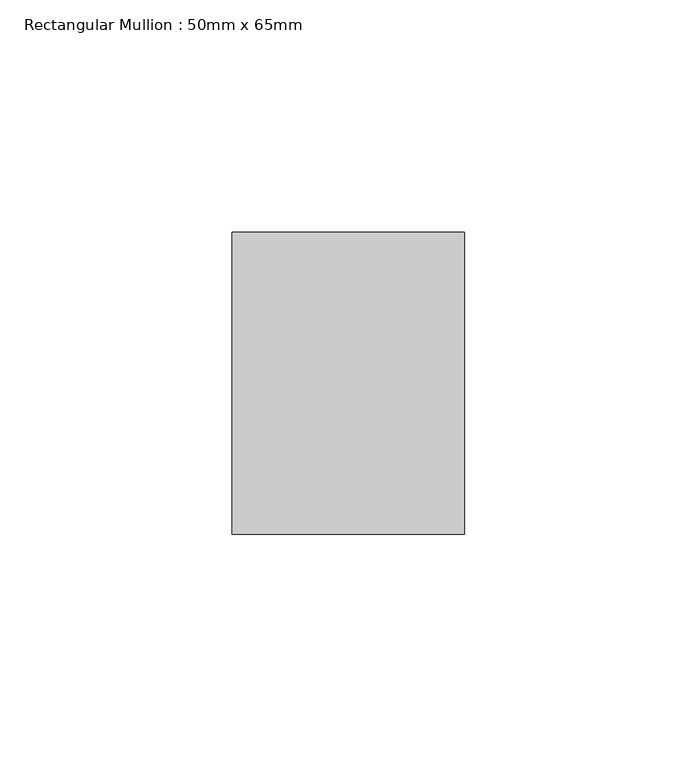
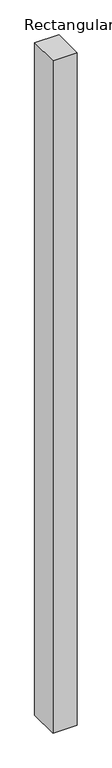
"""IFC4 building model written with IfcOpenShell, lengths in millimetres: member geometry, Rectangular Mullion : 50mm x 65mm."""

import ifcopenshell
import ifcopenshell.guid

model = None  # the IFC model being written
_history = None  # IfcOwnerHistory: only IFC2X3 demands one
_inside = {}  # id of a spatial element -> (the spatial element, [elements in it])
_under = {}  # id of a project, library or spatial element -> (it, [spatial elements below it])
_declared = {}  # id of a project -> (the project, [libraries it declares])
_typed = {}  # id of a type object -> (the type object, [elements of that type])
_made_of = {}  # id of a material, layer set ... -> (it, [elements and type objects made of it])


def new_model(schema):
    """Start an empty IFC model of exactly this schema.

    Asked for "IFC4X3", IfcOpenShell would pick the latest addendum, in which some entities
    have other attributes; the version numbers below select the first issue.
    IFC2X3 requires an IfcOwnerHistory on every rooted entity: one is made here for all.
    """
    global model, _history
    if schema == "IFC4X3":
        model = ifcopenshell.file(schema_version=(4, 3, 0, 0))
    else:
        model = ifcopenshell.file(schema=schema)
    _inside.clear()
    _under.clear()
    _declared.clear()
    _typed.clear()
    _made_of.clear()
    _history = None
    if model.schema == "IFC2X3":
        org = make("IfcOrganization", Name="unknown")
        user = make(
            "IfcPersonAndOrganization",
            ThePerson=make("IfcPerson", FamilyName="unknown"),
            TheOrganization=org,
        )
        app = make(
            "IfcApplication",
            ApplicationDeveloper=org,
            Version="unknown",
            ApplicationFullName="unknown",
            ApplicationIdentifier="unknown",
        )
        _history = make(
            "IfcOwnerHistory",
            OwningUser=user,
            OwningApplication=app,
            ChangeAction="ADDED",
            CreationDate=0,
        )
    return model


def make(cls, **values):
    """One entity of the class cls with the attributes given. An attribute that is None is left unset."""
    return model.create_entity(
        cls, **{name: value for name, value in values.items() if value is not None}
    )


def rooted(cls, **values):
    """An entity with a GlobalId (a new one), such as an element, a storey or a relation."""
    return make(cls, GlobalId=ifcopenshell.guid.new(), OwnerHistory=_history, **values)


def si_unit(unit_type, name, prefix=None):
    """IfcSIUnit, for example si_unit("LENGTHUNIT", "METRE", prefix="MILLI")."""
    return make("IfcSIUnit", UnitType=unit_type, Prefix=prefix, Name=name)


def assignment(units):
    """IfcUnitAssignment: the units of a project."""
    return None if units is None else make("IfcUnitAssignment", Units=units)


def point(xyz):
    """IfcCartesianPoint."""
    return None if xyz is None else make("IfcCartesianPoint", Coordinates=xyz)


def direction(xyz):
    """IfcDirection."""
    return None if xyz is None else make("IfcDirection", DirectionRatios=xyz)


def frame(location, z_axis=None, x_axis=None):
    """IfcAxis2Placement3D, a coordinate frame: its origin and axes. An axis left out is left unset."""
    return make(
        "IfcAxis2Placement3D",
        Location=point(location),
        Axis=direction(z_axis),
        RefDirection=direction(x_axis),
    )


def origin():
    """The frame at (0, 0, 0) with its axes left unset."""
    return frame((0.0, 0.0, 0.0))


def place(relative_to, where):
    """IfcLocalPlacement: puts the frame where relative to a parent placement (None: the world)."""
    return make(
        "IfcLocalPlacement", PlacementRelTo=relative_to, RelativePlacement=where
    )


def context(
    kind, dimensions, precision=None, world=None, true_north=None, identifier=None
):
    """IfcGeometricRepresentationContext, for example the 3D "Model" context."""
    return make(
        "IfcGeometricRepresentationContext",
        ContextIdentifier=identifier,
        ContextType=kind,
        CoordinateSpaceDimension=dimensions,
        Precision=precision,
        WorldCoordinateSystem=world,
        TrueNorth=true_north,
    )


def project(units=None, contexts=None):
    """IfcProject with its units and contexts."""
    return rooted(
        "IfcProject",
        Name="project",
        RepresentationContexts=contexts,
        UnitsInContext=assignment(units),
    )


def spatial(cls, under=None, at=None, **own):
    """A site, building, storey or space (cls), placed at a placement, below another one or the project."""
    s = rooted(cls, ObjectPlacement=at, **own)
    if under is not None:
        _under.setdefault(under.id(), (under, []))[1].append(s)
    return s


def polyline(points):
    """IfcPolyline through the points."""
    return make("IfcPolyline", Points=[point(p) for p in points])


def outline(outer, holes=None, kind="AREA"):
    """IfcArbitraryClosedProfileDef: a profile drawn as a closed curve; with holes, ...WithVoids."""
    if holes is None:
        return make("IfcArbitraryClosedProfileDef", ProfileType=kind, OuterCurve=outer)
    return make(
        "IfcArbitraryProfileDefWithVoids",
        ProfileType=kind,
        OuterCurve=outer,
        InnerCurves=holes,
    )


def extrude(swept, where, along, depth):
    """IfcExtrudedAreaSolid: the profile swept, set in the frame where, extruded along a direction by depth."""
    return make(
        "IfcExtrudedAreaSolid",
        SweptArea=swept,
        Position=where,
        ExtrudedDirection=direction(along),
        Depth=depth,
    )


def shape(context_of_items, identifier, shape_type, items):
    """IfcShapeRepresentation: the items that make up one representation, for example the "Body"."""
    return make(
        "IfcShapeRepresentation",
        ContextOfItems=context_of_items,
        RepresentationIdentifier=identifier,
        RepresentationType=shape_type,
        Items=items,
    )


def source(mapping_origin, context_of_items, identifier, shape_type, items):
    """IfcRepresentationMap: a shape defined once, which mapped items show again and again."""
    return make(
        "IfcRepresentationMap",
        MappingOrigin=mapping_origin,
        MappedRepresentation=shape(context_of_items, identifier, shape_type, items),
    )


def transform(
    local_origin,
    x_axis=None,
    y_axis=None,
    z_axis=None,
    scale=None,
    scale2=None,
    scale3=None,
    uniform=True,
):
    """IfcCartesianTransformationOperator3D, or its non-uniform kind. x_axis, y_axis, z_axis: its Axis1, 2, 3."""
    if uniform:
        return make(
            "IfcCartesianTransformationOperator3D",
            Axis1=direction(x_axis),
            Axis2=direction(y_axis),
            LocalOrigin=point(local_origin),
            Scale=scale,
            Axis3=direction(z_axis),
        )
    return make(
        "IfcCartesianTransformationOperator3DnonUniform",
        Axis1=direction(x_axis),
        Axis2=direction(y_axis),
        LocalOrigin=point(local_origin),
        Scale=scale,
        Axis3=direction(z_axis),
        Scale2=scale2,
        Scale3=scale3,
    )


def mapped(mapping_source, mapping_target):
    """IfcMappedItem: shows the shape of a source again, moved by a transform."""
    return make(
        "IfcMappedItem", MappingSource=mapping_source, MappingTarget=mapping_target
    )


def made_of(thing, what):
    """Note that an element or type object is made of a material, layer set ...; save() writes the relation."""
    if what is not None:
        _made_of.setdefault(what.id(), (what, []))[1].append(thing)
    return thing


def element(
    cls,
    number,
    at=None,
    inside=None,
    cuts=None,
    type_object=None,
    material=None,
    context=None,
    identifier="Body",
    shape_type=None,
    held_by="IfcProductDefinitionShape",
    body=None,
    shapes=None,
    **own,
):
    """One element of the class cls, such as IfcWall. Its Tag is "e" and its number.

    at: its placement. inside: the storey or other place that contains it. cuts: it is an
    opening in that element (IfcRelVoidsElement). A single representation is given by context,
    identifier, shape_type and body (its items); several are given by shapes. held_by: the class
    of the entity that holds the representations. save() writes the other relations.
    """
    e = rooted(cls, Tag="e%d" % number, ObjectPlacement=at, **own)
    if body is not None:
        shapes = [shape(context, identifier, shape_type, body)]
    if shapes is not None:
        e.Representation = make(held_by, Representations=shapes)
    if inside is not None:
        _inside.setdefault(inside.id(), (inside, []))[1].append(e)
    if cuts is not None:
        rooted(
            "IfcRelVoidsElement", RelatingBuildingElement=cuts, RelatedOpeningElement=e
        )
    if type_object is not None:
        _typed.setdefault(type_object.id(), (type_object, []))[1].append(e)
    return made_of(e, material)


def aggregate(whole, parts):
    """IfcRelAggregates: a whole, such as a stair, and the parts it consists of."""
    return rooted("IfcRelAggregates", RelatingObject=whole, RelatedObjects=parts)


def save(model, path):
    """Write the relations noted so far, then the file.

    IfcRelAggregates (storeys below a building ...), IfcRelContainedInSpatialStructure (elements
    in a storey), IfcRelDefinesByType, IfcRelAssociatesMaterial and IfcRelDeclares: one each for
    every whole, place, type object, material and project.
    """
    for whole, parts in _under.values():
        aggregate(whole, parts)
    for where, things in _inside.values():
        rooted(
            "IfcRelContainedInSpatialStructure",
            RelatedElements=things,
            RelatingStructure=where,
        )
    for kind, things in _typed.values():
        rooted("IfcRelDefinesByType", RelatedObjects=things, RelatingType=kind)
    for what, things in _made_of.values():
        rooted("IfcRelAssociatesMaterial", RelatedObjects=things, RelatingMaterial=what)
    for by, libraries in _declared.values():
        rooted("IfcRelDeclares", RelatingContext=by, RelatedDefinitions=libraries)
    model.write(path)


def rectangular_mullion_50mm_x_65mm_f7331b07(model_context):
    return source(origin(), model_context, "Body", "SweptSolid", [
        extrude(outline(polyline([(25.0, 32.5), (25.0, -32.5), (-25.0, -32.5), (-25.0, 32.5), (25.0, 32.5)])), frame((0.0, 0.0, -1473.7159083), z_axis=(0.0, 0.0, 1.0), x_axis=(1.0, 0.0, 0.0)), (0.0, 0.0, 1.0), 1473.7159083),
    ])


if __name__ == "__main__":
    model = new_model("IFC4")
    model_context = context("Model", 3, world=origin())
    ifc_project = project(units=[si_unit("LENGTHUNIT", "METRE", prefix="MILLI")], contexts=[model_context])
    site = spatial("IfcSite", under=ifc_project)
    building = spatial("IfcBuilding", under=site)
    placement = place(None, origin())
    rectangular_mullion_50mm_x_65mm_shape = rectangular_mullion_50mm_x_65mm_f7331b07(model_context)
    element("IfcMember", 1, ObjectType="Rectangular Mullion : 50mm x 65mm", at=placement, inside=building, context=model_context, shape_type="MappedRepresentation", body=[
        mapped(rectangular_mullion_50mm_x_65mm_shape, transform((0.0, 0.0, 0.0), x_axis=(1.0, 0.0, 0.0), y_axis=(0.0, 1.0, 0.0), z_axis=(0.0, 0.0, 1.0))),
    ])
    save(model, "model.ifc")
